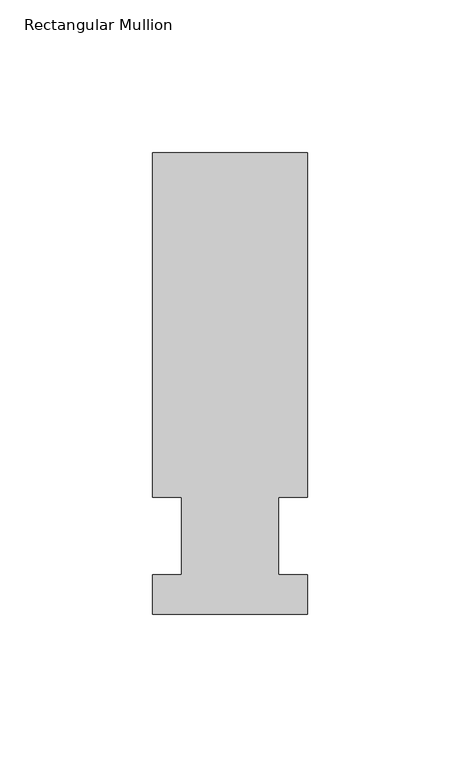
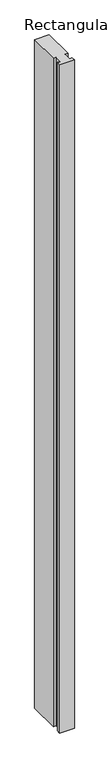
"""IFC4 building model written with IfcOpenShell, lengths in millimetres: member geometry, Rectangular Mullion."""

from ifc_helpers import new_model, si_unit, frame, origin, place, context, project, spatial, polyline, outline, extrude, source, transform, mapped, element, save


def rectangular_mullion_e9bececf(model_context):
    return source(origin(), model_context, "Body", "SweptSolid", [
        extrude(outline(polyline([(-25.4, -25.58415), (-25.4, -12.7), (-15.875, -12.7), (-15.875, 12.7), (-25.4, 12.7), (-25.4, 125.59665), (25.4, 125.59665), (25.4, 12.7), (15.875, 12.7), (15.875, -12.7), (25.4, -12.7), (25.4, -25.58415), (-25.4, -25.58415)])), frame((0.0, 0.0, -2463.8), z_axis=(0.0, 0.0, 1.0), x_axis=(1.0, 0.0, 0.0)), (0.0, 0.0, 1.0), 2463.8),
    ])


if __name__ == "__main__":
    model = new_model("IFC4")
    model_context = context("Model", 3, world=origin())
    ifc_project = project(units=[si_unit("LENGTHUNIT", "METRE", prefix="MILLI")], contexts=[model_context])
    site = spatial("IfcSite", under=ifc_project)
    building = spatial("IfcBuilding", under=site)
    placement = place(None, origin())
    rectangular_mullion_shape = rectangular_mullion_e9bececf(model_context)
    element("IfcMember", 1, ObjectType="Rectangular Mullion", at=placement, inside=building, context=model_context, shape_type="MappedRepresentation", body=[
        mapped(rectangular_mullion_shape, transform((0.0, 0.0, 0.0), x_axis=(1.0, 0.0, 0.0), y_axis=(0.0, 1.0, 0.0), z_axis=(0.0, 0.0, 1.0))),
    ])
    save(model, "model.ifc")
